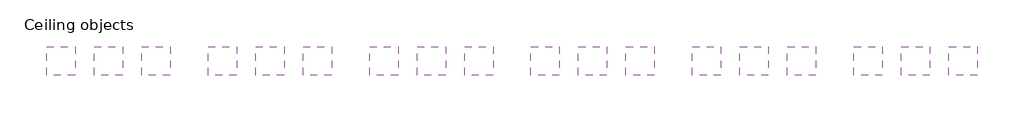
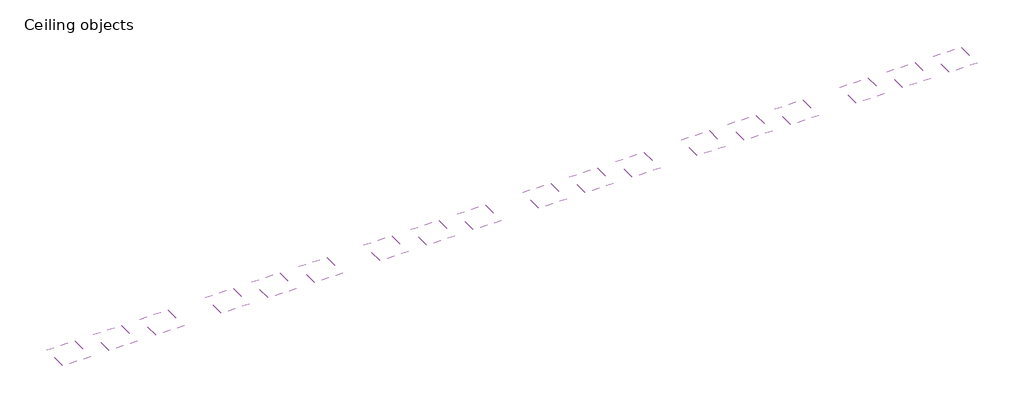
# One storey: 18 coverings.
"""IFC4 building model written with IfcOpenShell, lengths in millimetres."""

from ifc_helpers import new_model, si_unit, frame, origin, place, context, project, spatial, polyline, outline, extrude, element, save

model = new_model("IFC4")

# Units and contexts
model_context = context("Model", 3, world=origin())
ifc_project = project(units=[si_unit("LENGTHUNIT", "METRE", prefix="MILLI")], contexts=[model_context])

# Site, building, storey
site = spatial("IfcSite", under=ifc_project)
building = spatial("IfcBuilding", under=site)
storey = spatial("IfcBuildingStorey", under=building, Name="Ceiling objects", Elevation=0.0)

# Coverings
placement = place(None, origin())
element("IfcCovering", 1, at=placement, inside=storey, context=model_context, shape_type="SweptSolid", body=[
    extrude(outline(polyline([(-4783.0103193, 8117.0281757), (-4783.0103193, 5117.0281757), (-7783.0103193, 5117.0281757), (-7783.0103193, 8117.0281757), (-4783.0103193, 8117.0281757)])), frame((0.0, 0.0, 2600.0), z_axis=(0.0, 0.0, 1.0), x_axis=(1.0, 0.0, 0.0)), (0.0, 0.0, 1.0), 53.0000017),
])
element("IfcCovering", 2, at=placement, inside=storey, context=model_context, shape_type="SweptSolid", body=[
    extrude(outline(polyline([(216.9898407, 8117.0281757), (216.9898407, 5117.0281757), (-2783.0101593, 5117.0281757), (-2783.0101593, 8117.0281757), (216.9898407, 8117.0281757)])), frame((0.0, 0.0, 2600.0), z_axis=(0.0, 0.0, 1.0), x_axis=(1.0, 0.0, 0.0)), (0.0, 0.0, 1.0), 53.0000017),
])
element("IfcCovering", 3, at=placement, inside=storey, context=model_context, shape_type="SweptSolid", body=[
    extrude(outline(polyline([(5216.9900007, 8117.0281757), (5216.9900007, 5117.0281757), (2216.9900007, 5117.0281757), (2216.9900007, 8117.0281757), (5216.9900007, 8117.0281757)])), frame((0.0, 0.0, 2600.0), z_axis=(0.0, 0.0, 1.0), x_axis=(1.0, 0.0, 0.0)), (0.0, 0.0, 1.0), 53.0000017),
])
element("IfcCovering", 4, at=placement, inside=storey, context=model_context, shape_type="SweptSolid", body=[
    extrude(outline(polyline([(12216.9902247, 8117.0281757), (12216.9902247, 5117.0281757), (9216.9902247, 5117.0281757), (9216.9902247, 8117.0281757), (12216.9902247, 8117.0281757)])), frame((0.0, 0.0, 2600.0), z_axis=(0.0, 0.0, 1.0), x_axis=(1.0, 0.0, 0.0)), (0.0, 0.0, 1.0), 53.0000017),
])
element("IfcCovering", 5, at=placement, inside=storey, context=model_context, shape_type="SweptSolid", body=[
    extrude(outline(polyline([(17216.9903847, 8117.0281757), (17216.9903847, 5117.0281757), (14216.9903847, 5117.0281757), (14216.9903847, 8117.0281757), (17216.9903847, 8117.0281757)])), frame((0.0, 0.0, 2600.0), z_axis=(0.0, 0.0, 1.0), x_axis=(1.0, 0.0, 0.0)), (0.0, 0.0, 1.0), 53.0000017),
])
element("IfcCovering", 6, at=placement, inside=storey, context=model_context, shape_type="SweptSolid", body=[
    extrude(outline(polyline([(22216.9905447, 8117.0281757), (22216.9905447, 5117.0281757), (19216.9905447, 5117.0281757), (19216.9905447, 8117.0281757), (22216.9905447, 8117.0281757)])), frame((0.0, 0.0, 2600.0), z_axis=(0.0, 0.0, 1.0), x_axis=(1.0, 0.0, 0.0)), (0.0, 0.0, 1.0), 53.0000017),
])
element("IfcCovering", 7, at=placement, inside=storey, context=model_context, shape_type="SweptSolid", body=[
    extrude(outline(polyline([(29216.9907687, 8117.0281757), (29216.9907687, 5117.0281757), (26216.9907687, 5117.0281757), (26216.9907687, 8117.0281757), (29216.9907687, 8117.0281757)])), frame((0.0, 0.0, 2600.0), z_axis=(0.0, 0.0, 1.0), x_axis=(1.0, 0.0, 0.0)), (0.0, 0.0, 1.0), 53.0000017),
])
element("IfcCovering", 8, at=placement, inside=storey, context=model_context, shape_type="SweptSolid", body=[
    extrude(outline(polyline([(34216.9909287, 8117.0281757), (34216.9909287, 5117.0281757), (31216.9909287, 5117.0281757), (31216.9909287, 8117.0281757), (34216.9909287, 8117.0281757)])), frame((0.0, 0.0, 2600.0), z_axis=(0.0, 0.0, 1.0), x_axis=(1.0, 0.0, 0.0)), (0.0, 0.0, 1.0), 53.0000017),
])
element("IfcCovering", 9, at=placement, inside=storey, context=model_context, shape_type="SweptSolid", body=[
    extrude(outline(polyline([(39216.9910887, 8117.0281757), (39216.9910887, 5117.0281757), (36216.9910887, 5117.0281757), (36216.9910887, 8117.0281757), (39216.9910887, 8117.0281757)])), frame((0.0, 0.0, 2600.0), z_axis=(0.0, 0.0, 1.0), x_axis=(1.0, 0.0, 0.0)), (0.0, 0.0, 1.0), 53.0000017),
])
element("IfcCovering", 10, at=placement, inside=storey, context=model_context, shape_type="SweptSolid", body=[
    extrude(outline(polyline([(46216.9913127, 8117.0281757), (46216.9913127, 5117.0281757), (43216.9913127, 5117.0281757), (43216.9913127, 8117.0281757), (46216.9913127, 8117.0281757)])), frame((0.0, 0.0, 2600.0), z_axis=(0.0, 0.0, 1.0), x_axis=(1.0, 0.0, 0.0)), (0.0, 0.0, 1.0), 53.0000017),
])
element("IfcCovering", 11, at=placement, inside=storey, context=model_context, shape_type="SweptSolid", body=[
    extrude(outline(polyline([(51216.9914727, 8117.0281757), (51216.9914727, 5117.0281757), (48216.9914727, 5117.0281757), (48216.9914727, 8117.0281757), (51216.9914727, 8117.0281757)])), frame((0.0, 0.0, 2600.0), z_axis=(0.0, 0.0, 1.0), x_axis=(1.0, 0.0, 0.0)), (0.0, 0.0, 1.0), 53.0000017),
])
element("IfcCovering", 12, at=placement, inside=storey, context=model_context, shape_type="SweptSolid", body=[
    extrude(outline(polyline([(56216.9916327, 8117.0281757), (56216.9916327, 5117.0281757), (53216.9916327, 5117.0281757), (53216.9916327, 8117.0281757), (56216.9916327, 8117.0281757)])), frame((0.0, 0.0, 2600.0), z_axis=(0.0, 0.0, 1.0), x_axis=(1.0, 0.0, 0.0)), (0.0, 0.0, 1.0), 53.0000017),
])
element("IfcCovering", 13, at=placement, inside=storey, context=model_context, shape_type="SweptSolid", body=[
    extrude(outline(polyline([(63216.9918567, 8117.0281757), (63216.9918567, 5117.0281757), (60216.9918567, 5117.0281757), (60216.9918567, 8117.0281757), (63216.9918567, 8117.0281757)])), frame((0.0, 0.0, 2600.0), z_axis=(0.0, 0.0, 1.0), x_axis=(1.0, 0.0, 0.0)), (0.0, 0.0, 1.0), 53.0000017),
])
element("IfcCovering", 14, at=placement, inside=storey, context=model_context, shape_type="SweptSolid", body=[
    extrude(outline(polyline([(68216.9920167, 8117.0281757), (68216.9920167, 5117.0281757), (65216.9920167, 5117.0281757), (65216.9920167, 8117.0281757), (68216.9920167, 8117.0281757)])), frame((0.0, 0.0, 2600.0), z_axis=(0.0, 0.0, 1.0), x_axis=(1.0, 0.0, 0.0)), (0.0, 0.0, 1.0), 53.0000017),
])
element("IfcCovering", 15, at=placement, inside=storey, context=model_context, shape_type="SweptSolid", body=[
    extrude(outline(polyline([(73216.9921767, 8117.0281757), (73216.9921767, 5117.0281757), (70216.9921767, 5117.0281757), (70216.9921767, 8117.0281757), (73216.9921767, 8117.0281757)])), frame((0.0, 0.0, 2600.0), z_axis=(0.0, 0.0, 1.0), x_axis=(1.0, 0.0, 0.0)), (0.0, 0.0, 1.0), 53.0000017),
])
element("IfcCovering", 16, at=placement, inside=storey, context=model_context, shape_type="SweptSolid", body=[
    extrude(outline(polyline([(80216.9924007, 8117.0281757), (80216.9924007, 5117.0281757), (77216.9924007, 5117.0281757), (77216.9924007, 8117.0281757), (80216.9924007, 8117.0281757)])), frame((0.0, 0.0, 2600.0), z_axis=(0.0, 0.0, 1.0), x_axis=(1.0, 0.0, 0.0)), (0.0, 0.0, 1.0), 53.0000017),
])
element("IfcCovering", 17, at=placement, inside=storey, context=model_context, shape_type="SweptSolid", body=[
    extrude(outline(polyline([(85216.9925607, 8117.0281757), (85216.9925607, 5117.0281757), (82216.9925607, 5117.0281757), (82216.9925607, 8117.0281757), (85216.9925607, 8117.0281757)])), frame((0.0, 0.0, 2600.0), z_axis=(0.0, 0.0, 1.0), x_axis=(1.0, 0.0, 0.0)), (0.0, 0.0, 1.0), 53.0000017),
])
element("IfcCovering", 18, at=placement, inside=storey, context=model_context, shape_type="SweptSolid", body=[
    extrude(outline(polyline([(90216.9927207, 8117.0281757), (90216.9927207, 5117.0281757), (87216.9927207, 5117.0281757), (87216.9927207, 8117.0281757), (90216.9927207, 8117.0281757)])), frame((0.0, 0.0, 2600.0), z_axis=(0.0, 0.0, 1.0), x_axis=(1.0, 0.0, 0.0)), (0.0, 0.0, 1.0), 53.0000017),
])

save(model, "model.ifc")
